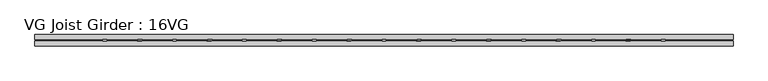
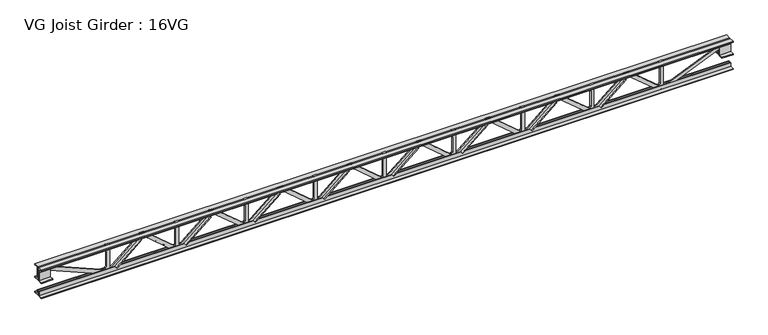
"""IFC4 building model written with IfcOpenShell, lengths in millimetres: beam geometry, VG Joist Girder : 16VG."""

from ifc_helpers import new_model, si_unit, frame, origin, place, context, project, spatial, polyline, outline, extrude, faceted_brep, source, transform, mapped, element, save


def vg_joist_girder_16vg_77c43045(model_context):
    return source(origin(), model_context, "Body", "SolidModel", [
        faceted_brep([(2834.64, -12.7, -152.4), (2834.64, 0.0, -152.4), (2834.64, 0.0, -203.2), (2834.64, -12.7, -203.2), (2850.7591443, -12.7, -152.4), (2850.7591443, 0.0, -152.4), (3272.3991443, 0.0, 203.2), (3332.48, 0.0, 203.2), (3332.48, 0.0, 152.4), (3290.9608557, 0.0, 152.4), (2869.3208557, 0.0, -203.2), (2869.3208557, -12.7, -203.2), (2937.9689257, -12.7, -145.3040374), (2929.7812002, -12.7, -135.5957342), (3269.0435162, -12.7, 150.5291106), (3277.2312418, -12.7, 140.8208075), (3290.9608557, -12.7, 152.4), (3332.48, -12.7, 152.4), (3332.48, -12.7, 203.2), (3272.3991443, -12.7, 203.2), (3277.2312418, -50.8, 140.8208075), (2937.9689257, -50.8, -145.3040374), (2929.7812002, -50.8, -135.5957342), (3269.0435162, -50.8, 150.5291106)], [[[0, 1, 2, 3]], [[1, 0, 4, 5]], [[2, 1, 5, 6, 7, 8, 9, 10]], [[3, 2, 10, 11]], [[0, 3, 11, 12, 13, 14, 15, 16, 17, 18, 19, 4]], [[5, 4, 19, 6]], [[10, 9, 16, 15, 20, 21, 12, 11]], [[8, 7, 18, 17]], [[7, 6, 19, 18]], [[9, 8, 17, 16]], [[21, 22, 13, 12]], [[20, 15, 14, 23]], [[22, 21, 20, 23]], [[13, 22, 23, 14]]]),
        extrude(outline(polyline([(203.2, 3804.92), (203.2, 3754.12), (120.65, 3754.12), (109.5375, 3765.2325), (-109.5375, 3765.2325), (-120.65, 3754.12), (-203.2, 3754.12), (-203.2, 3804.92), (203.2, 3804.92)])), frame((0.0, -12.7, 0.0), z_axis=(0.0, 1.0, 0.0), x_axis=(0.0, 0.0, 1.0)), (0.0, 0.0, 1.0), 25.4),
        extrude(outline(polyline([(203.2, 2860.04), (203.2, 2809.24), (120.65, 2809.24), (109.5375, 2820.3525), (-109.5375, 2820.3525), (-120.65, 2809.24), (-203.2, 2809.24), (-203.2, 2860.04), (203.2, 2860.04)])), frame((0.0, -12.7, 0.0), z_axis=(0.0, 1.0, 0.0), x_axis=(0.0, 0.0, 1.0)), (0.0, 0.0, 1.0), 25.4),
        extrude(outline(polyline([(0.0, -38.1), (0.0, 0.0), (443.8089071, 0.0), (443.8089071, -38.1), (0.0, -38.1)])), frame((3676.1910743, 12.7, -145.3040374), z_axis=(0.6447027996602551, 0.0, 0.7644333195970915), x_axis=(-0.7644333195970915, 0.0, 0.6447027996602551)), (0.0, 0.0, 1.0), 12.7),
        extrude(outline(polyline([(-203.2, 3779.52), (-152.4, 3779.52), (-152.4, 3763.4008557), (203.2, 3341.7608557), (203.2, 3281.68), (152.4, 3281.68), (152.4, 3323.1991443), (-203.2, 3744.8391443), (-203.2, 3779.52)])), frame((0.0, 0.0, 0.0), z_axis=(0.0, 1.0, 0.0), x_axis=(0.0, 0.0, 1.0)), (0.0, 0.0, 1.0), 12.7),
        extrude(outline(polyline([(203.2, 1915.16), (203.2, 1864.36), (120.65, 1864.36), (109.5375, 1875.4725), (-109.5375, 1875.4725), (-120.65, 1864.36), (-203.2, 1864.36), (-203.2, 1915.16), (203.2, 1915.16)])), frame((0.0, -12.7, 0.0), z_axis=(0.0, 1.0, 0.0), x_axis=(0.0, 0.0, 1.0)), (0.0, 0.0, 1.0), 25.4),
        faceted_brep([(2834.64, 0.0, -152.4), (2834.64, 0.0, -203.2), (2834.64, 12.7, -203.2), (2834.64, 12.7, -152.4), (2818.5208557, 0.0, -152.4), (2396.8808557, 0.0, 203.2), (2336.8, 0.0, 203.2), (2336.8, 0.0, 152.4), (2378.3191443, 0.0, 152.4), (2799.9591443, 0.0, -203.2), (2799.9591443, 12.7, -203.2), (2731.3110743, 12.7, -145.3040374), (2739.4987998, 12.7, -135.5957342), (2400.2364838, 12.7, 150.5291106), (2392.0487582, 12.7, 140.8208075), (2378.3191443, 12.7, 152.4), (2336.8, 12.7, 152.4), (2336.8, 12.7, 203.2), (2396.8808557, 12.7, 203.2), (2818.5208557, 12.7, -152.4), (2392.0487582, 50.8, 140.8208075), (2731.3110743, 50.8, -145.3040374), (2739.4987998, 50.8, -135.5957342), (2400.2364838, 50.8, 150.5291106)], [[[0, 1, 2, 3]], [[1, 0, 4, 5, 6, 7, 8, 9]], [[2, 1, 9, 10]], [[3, 2, 10, 11, 12, 13, 14, 15, 16, 17, 18, 19]], [[0, 3, 19, 4]], [[9, 8, 15, 14, 20, 21, 11, 10]], [[5, 4, 19, 18]], [[7, 6, 17, 16]], [[8, 7, 16, 15]], [[6, 5, 18, 17]], [[11, 21, 22, 12]], [[13, 23, 20, 14]], [[22, 21, 20, 23]], [[12, 22, 23, 13]]]),
        extrude(outline(polyline([(0.0, -38.1), (0.0, 0.0), (443.8089071, 0.0), (443.8089071, -38.1), (0.0, -38.1)])), frame((1993.0889257, -12.7, -145.3040374), z_axis=(-0.6447027996602547, 0.0, 0.7644333195970918), x_axis=(0.7644333195970918, 0.0, 0.6447027996602547)), (0.0, 0.0, 1.0), 12.7),
        extrude(outline(polyline([(-152.4, 1889.76), (-203.2, 1889.76), (-203.2, 1924.4408557), (152.4, 2346.0808557), (152.4, 2387.6), (203.2, 2387.6), (203.2, 2327.5191443), (-152.4, 1905.8791443), (-152.4, 1889.76)])), frame((0.0, -12.7, 0.0), z_axis=(0.0, 1.0, 0.0), x_axis=(0.0, 0.0, 1.0)), (0.0, 0.0, 1.0), 12.7),
        extrude(outline(polyline([(203.2, 970.28), (203.2, 919.48), (120.65, 919.48), (109.5375, 930.5925), (-109.5375, 930.5925), (-120.65, 919.48), (-203.2, 919.48), (-203.2, 970.28), (203.2, 970.28)])), frame((0.0, -12.7, 0.0), z_axis=(0.0, 1.0, 0.0), x_axis=(0.0, 0.0, 1.0)), (0.0, 0.0, 1.0), 25.4),
        faceted_brep([(1889.76, 0.0, -152.4), (1889.76, 0.0, -203.2), (1889.76, 12.7, -203.2), (1889.76, 12.7, -152.4), (1873.6408557, 0.0, -152.4), (1452.0008557, 0.0, 203.2), (1391.92, 0.0, 203.2), (1391.92, 0.0, 152.4), (1433.4391443, 0.0, 152.4), (1855.0791443, 0.0, -203.2), (1855.0791443, 12.7, -203.2), (1786.4310743, 12.7, -145.3040374), (1794.6187998, 12.7, -135.5957342), (1455.3564838, 12.7, 150.5291106), (1447.1687582, 12.7, 140.8208075), (1433.4391443, 12.7, 152.4), (1391.92, 12.7, 152.4), (1391.92, 12.7, 203.2), (1452.0008557, 12.7, 203.2), (1873.6408557, 12.7, -152.4), (1447.1687582, 50.8, 140.8208075), (1786.4310743, 50.8, -145.3040374), (1794.6187998, 50.8, -135.5957342), (1455.3564838, 50.8, 150.5291106)], [[[0, 1, 2, 3]], [[1, 0, 4, 5, 6, 7, 8, 9]], [[2, 1, 9, 10]], [[3, 2, 10, 11, 12, 13, 14, 15, 16, 17, 18, 19]], [[0, 3, 19, 4]], [[9, 8, 15, 14, 20, 21, 11, 10]], [[5, 4, 19, 18]], [[7, 6, 17, 16]], [[8, 7, 16, 15]], [[6, 5, 18, 17]], [[11, 21, 22, 12]], [[13, 23, 20, 14]], [[22, 21, 20, 23]], [[12, 22, 23, 13]]]),
        extrude(outline(polyline([(0.0, -38.1), (0.0, 0.0), (443.8089071, 0.0), (443.8089071, -38.1), (0.0, -38.1)])), frame((1048.2089257, -12.7, -145.3040374), z_axis=(-0.6447027996602547, 0.0, 0.7644333195970918), x_axis=(0.7644333195970918, 0.0, 0.6447027996602547)), (0.0, 0.0, 1.0), 12.7),
        extrude(outline(polyline([(-152.4, 944.88), (-203.2, 944.88), (-203.2, 979.5608557), (152.4, 1401.2008557), (152.4, 1442.72), (203.2, 1442.72), (203.2, 1382.6391443), (-152.4, 960.9991443), (-152.4, 944.88)])), frame((0.0, -12.7, 0.0), z_axis=(0.0, 1.0, 0.0), x_axis=(0.0, 0.0, 1.0)), (0.0, 0.0, 1.0), 12.7),
        extrude(outline(polyline([(203.2, 25.4), (203.2, -25.4), (120.65, -25.4), (109.5375, -14.2875), (-109.5375, -14.2875), (-120.65, -25.4), (-203.2, -25.4), (-203.2, 25.4), (203.2, 25.4)])), frame((0.0, -12.7, 0.0), z_axis=(0.0, 1.0, 0.0), x_axis=(0.0, 0.0, 1.0)), (0.0, 0.0, 1.0), 25.4),
        faceted_brep([(944.88, 0.0, -152.4), (944.88, 0.0, -203.2), (944.88, 12.7, -203.2), (944.88, 12.7, -152.4), (928.7608557, 0.0, -152.4), (507.1208557, 0.0, 203.2), (447.04, 0.0, 203.2), (447.04, 0.0, 152.4), (488.5591443, 0.0, 152.4), (910.1991443, 0.0, -203.2), (910.1991443, 12.7, -203.2), (841.5510743, 12.7, -145.3040374), (849.7387998, 12.7, -135.5957342), (510.4764838, 12.7, 150.5291106), (502.2887582, 12.7, 140.8208075), (488.5591443, 12.7, 152.4), (447.04, 12.7, 152.4), (447.04, 12.7, 203.2), (507.1208557, 12.7, 203.2), (928.7608557, 12.7, -152.4), (502.2887582, 50.8, 140.8208075), (841.5510743, 50.8, -145.3040374), (849.7387998, 50.8, -135.5957342), (510.4764838, 50.8, 150.5291106)], [[[0, 1, 2, 3]], [[1, 0, 4, 5, 6, 7, 8, 9]], [[2, 1, 9, 10]], [[3, 2, 10, 11, 12, 13, 14, 15, 16, 17, 18, 19]], [[0, 3, 19, 4]], [[9, 8, 15, 14, 20, 21, 11, 10]], [[5, 4, 19, 18]], [[7, 6, 17, 16]], [[8, 7, 16, 15]], [[6, 5, 18, 17]], [[11, 21, 22, 12]], [[13, 23, 20, 14]], [[22, 21, 20, 23]], [[12, 22, 23, 13]]]),
        extrude(outline(polyline([(0.0, -38.1), (0.0, 0.0), (443.8089071, 0.0), (443.8089071, -38.1), (0.0, -38.1)])), frame((103.3289257, -12.7, -145.3040374), z_axis=(-0.6447027996602547, 0.0, 0.7644333195970918), x_axis=(0.7644333195970918, 0.0, 0.6447027996602547)), (0.0, 0.0, 1.0), 12.7),
        extrude(outline(polyline([(-152.4, 0.0), (-203.2, 0.0), (-203.2, 34.6808557), (152.4, 456.3208557), (152.4, 497.84), (203.2, 497.84), (203.2, 437.7591443), (-152.4, 16.1191443), (-152.4, 0.0)])), frame((0.0, -12.7, 0.0), z_axis=(0.0, 1.0, 0.0), x_axis=(0.0, 0.0, 1.0)), (0.0, 0.0, 1.0), 12.7),
        extrude(outline(polyline([(203.2, -919.48), (203.2, -970.28), (120.65, -970.28), (109.5375, -959.1675), (-109.5375, -959.1675), (-120.65, -970.28), (-203.2, -970.28), (-203.2, -919.48), (203.2, -919.48)])), frame((0.0, -12.7, 0.0), z_axis=(0.0, 1.0, 0.0), x_axis=(0.0, 0.0, 1.0)), (0.0, 0.0, 1.0), 25.4),
        faceted_brep([(0.0, 0.0, -152.4), (0.0, 0.0, -203.2), (0.0, 12.7, -203.2), (0.0, 12.7, -152.4), (-16.1191443, 0.0, -152.4), (-437.7591443, 0.0, 203.2), (-497.84, 0.0, 203.2), (-497.84, 0.0, 152.4), (-456.3208557, 0.0, 152.4), (-34.6808557, 0.0, -203.2), (-34.6808557, 12.7, -203.2), (-103.3289257, 12.7, -145.3040374), (-95.1412002, 12.7, -135.5957342), (-434.4035162, 12.7, 150.5291106), (-442.5912418, 12.7, 140.8208075), (-456.3208557, 12.7, 152.4), (-497.84, 12.7, 152.4), (-497.84, 12.7, 203.2), (-437.7591443, 12.7, 203.2), (-16.1191443, 12.7, -152.4), (-442.5912418, 50.8, 140.8208075), (-103.3289257, 50.8, -145.3040374), (-95.1412002, 50.8, -135.5957342), (-434.4035162, 50.8, 150.5291106)], [[[0, 1, 2, 3]], [[1, 0, 4, 5, 6, 7, 8, 9]], [[2, 1, 9, 10]], [[3, 2, 10, 11, 12, 13, 14, 15, 16, 17, 18, 19]], [[0, 3, 19, 4]], [[9, 8, 15, 14, 20, 21, 11, 10]], [[5, 4, 19, 18]], [[7, 6, 17, 16]], [[8, 7, 16, 15]], [[6, 5, 18, 17]], [[11, 21, 22, 12]], [[13, 23, 20, 14]], [[22, 21, 20, 23]], [[12, 22, 23, 13]]]),
        extrude(outline(polyline([(0.0, -38.1), (0.0, 0.0), (443.8089071, 0.0), (443.8089071, -38.1), (0.0, -38.1)])), frame((-841.5510743, -12.7, -145.3040374), z_axis=(-0.6447027996602547, 0.0, 0.7644333195970918), x_axis=(0.7644333195970918, 0.0, 0.6447027996602547)), (0.0, 0.0, 1.0), 12.7),
        extrude(outline(polyline([(-152.4, -944.88), (-203.2, -944.88), (-203.2, -910.1991443), (152.4, -488.5591443), (152.4, -447.04), (203.2, -447.04), (203.2, -507.1208557), (-152.4, -928.7608557), (-152.4, -944.88)])), frame((0.0, -12.7, 0.0), z_axis=(0.0, 1.0, 0.0), x_axis=(0.0, 0.0, 1.0)), (0.0, 0.0, 1.0), 12.7),
        extrude(outline(polyline([(203.2, -1864.36), (203.2, -1915.16), (120.65, -1915.16), (109.5375, -1904.0475), (-109.5375, -1904.0475), (-120.65, -1915.16), (-203.2, -1915.16), (-203.2, -1864.36), (203.2, -1864.36)])), frame((0.0, -12.7, 0.0), z_axis=(0.0, 1.0, 0.0), x_axis=(0.0, 0.0, 1.0)), (0.0, 0.0, 1.0), 25.4),
        faceted_brep([(-944.88, 0.0, -152.4), (-944.88, 0.0, -203.2), (-944.88, 12.7, -203.2), (-944.88, 12.7, -152.4), (-960.9991443, 0.0, -152.4), (-1382.6391443, 0.0, 203.2), (-1442.72, 0.0, 203.2), (-1442.72, 0.0, 152.4), (-1401.2008557, 0.0, 152.4), (-979.5608557, 0.0, -203.2), (-979.5608557, 12.7, -203.2), (-1048.2089257, 12.7, -145.3040374), (-1040.0212002, 12.7, -135.5957342), (-1379.2835162, 12.7, 150.5291106), (-1387.4712418, 12.7, 140.8208075), (-1401.2008557, 12.7, 152.4), (-1442.72, 12.7, 152.4), (-1442.72, 12.7, 203.2), (-1382.6391443, 12.7, 203.2), (-960.9991443, 12.7, -152.4), (-1387.4712418, 50.8, 140.8208075), (-1048.2089257, 50.8, -145.3040374), (-1040.0212002, 50.8, -135.5957342), (-1379.2835162, 50.8, 150.5291106)], [[[0, 1, 2, 3]], [[1, 0, 4, 5, 6, 7, 8, 9]], [[2, 1, 9, 10]], [[3, 2, 10, 11, 12, 13, 14, 15, 16, 17, 18, 19]], [[0, 3, 19, 4]], [[9, 8, 15, 14, 20, 21, 11, 10]], [[5, 4, 19, 18]], [[7, 6, 17, 16]], [[8, 7, 16, 15]], [[6, 5, 18, 17]], [[11, 21, 22, 12]], [[13, 23, 20, 14]], [[22, 21, 20, 23]], [[12, 22, 23, 13]]]),
        extrude(outline(polyline([(0.0, -38.1), (0.0, 0.0), (443.8089071, 0.0), (443.8089071, -38.1), (0.0, -38.1)])), frame((-1786.4310743, -12.7, -145.3040374), z_axis=(-0.6447027996602547, 0.0, 0.7644333195970918), x_axis=(0.7644333195970918, 0.0, 0.6447027996602547)), (0.0, 0.0, 1.0), 12.7),
        extrude(outline(polyline([(-152.4, -1889.76), (-203.2, -1889.76), (-203.2, -1855.0791443), (152.4, -1433.4391443), (152.4, -1391.92), (203.2, -1391.92), (203.2, -1452.0008557), (-152.4, -1873.6408557), (-152.4, -1889.76)])), frame((0.0, -12.7, 0.0), z_axis=(0.0, 1.0, 0.0), x_axis=(0.0, 0.0, 1.0)), (0.0, 0.0, 1.0), 12.7),
        extrude(outline(polyline([(203.2, -2809.24), (203.2, -2860.04), (120.65, -2860.04), (109.5375, -2848.9275), (-109.5375, -2848.9275), (-120.65, -2860.04), (-203.2, -2860.04), (-203.2, -2809.24), (203.2, -2809.24)])), frame((0.0, -12.7, 0.0), z_axis=(0.0, 1.0, 0.0), x_axis=(0.0, 0.0, 1.0)), (0.0, 0.0, 1.0), 25.4),
        faceted_brep([(-1889.76, 0.0, -152.4), (-1889.76, 0.0, -203.2), (-1889.76, 12.7, -203.2), (-1889.76, 12.7, -152.4), (-1905.8791443, 0.0, -152.4), (-2327.5191443, 0.0, 203.2), (-2387.6, 0.0, 203.2), (-2387.6, 0.0, 152.4), (-2346.0808557, 0.0, 152.4), (-1924.4408557, 0.0, -203.2), (-1924.4408557, 12.7, -203.2), (-1993.0889257, 12.7, -145.3040374), (-1984.9012002, 12.7, -135.5957342), (-2324.1635162, 12.7, 150.5291106), (-2332.3512418, 12.7, 140.8208075), (-2346.0808557, 12.7, 152.4), (-2387.6, 12.7, 152.4), (-2387.6, 12.7, 203.2), (-2327.5191443, 12.7, 203.2), (-1905.8791443, 12.7, -152.4), (-2332.3512418, 50.8, 140.8208075), (-1993.0889257, 50.8, -145.3040374), (-1984.9012002, 50.8, -135.5957342), (-2324.1635162, 50.8, 150.5291106)], [[[0, 1, 2, 3]], [[1, 0, 4, 5, 6, 7, 8, 9]], [[2, 1, 9, 10]], [[3, 2, 10, 11, 12, 13, 14, 15, 16, 17, 18, 19]], [[0, 3, 19, 4]], [[9, 8, 15, 14, 20, 21, 11, 10]], [[5, 4, 19, 18]], [[7, 6, 17, 16]], [[8, 7, 16, 15]], [[6, 5, 18, 17]], [[11, 21, 22, 12]], [[13, 23, 20, 14]], [[22, 21, 20, 23]], [[12, 22, 23, 13]]]),
        extrude(outline(polyline([(0.0, -38.1), (0.0, 0.0), (443.8089071, 0.0), (443.8089071, -38.1), (0.0, -38.1)])), frame((-2731.3110743, -12.7, -145.3040374), z_axis=(-0.6447027996602547, 0.0, 0.7644333195970918), x_axis=(0.7644333195970918, 0.0, 0.6447027996602547)), (0.0, 0.0, 1.0), 12.7),
        extrude(outline(polyline([(-152.4, -2834.64), (-203.2, -2834.64), (-203.2, -2799.9591443), (152.4, -2378.3191443), (152.4, -2336.8), (203.2, -2336.8), (203.2, -2396.8808557), (-152.4, -2818.5208557), (-152.4, -2834.64)])), frame((0.0, -12.7, 0.0), z_axis=(0.0, 1.0, 0.0), x_axis=(0.0, 0.0, 1.0)), (0.0, 0.0, 1.0), 12.7),
        extrude(outline(polyline([(203.2, -3754.12), (203.2, -3804.92), (120.65, -3804.92), (109.5375, -3793.8075), (-109.5375, -3793.8075), (-120.65, -3804.92), (-203.2, -3804.92), (-203.2, -3754.12), (203.2, -3754.12)])), frame((0.0, -12.7, 0.0), z_axis=(0.0, 1.0, 0.0), x_axis=(0.0, 0.0, 1.0)), (0.0, 0.0, 1.0), 25.4),
        faceted_brep([(-2834.64, 0.0, -152.4), (-2834.64, 0.0, -203.2), (-2834.64, 12.7, -203.2), (-2834.64, 12.7, -152.4), (-2850.7591443, 0.0, -152.4), (-3272.3991443, 0.0, 203.2), (-3332.48, 0.0, 203.2), (-3332.48, 0.0, 152.4), (-3290.9608557, 0.0, 152.4), (-2869.3208557, 0.0, -203.2), (-2869.3208557, 12.7, -203.2), (-2937.9689257, 12.7, -145.3040374), (-2929.7812002, 12.7, -135.5957342), (-3269.0435162, 12.7, 150.5291106), (-3277.2312418, 12.7, 140.8208075), (-3290.9608557, 12.7, 152.4), (-3332.48, 12.7, 152.4), (-3332.48, 12.7, 203.2), (-3272.3991443, 12.7, 203.2), (-2850.7591443, 12.7, -152.4), (-3277.2312418, 50.8, 140.8208075), (-2937.9689257, 50.8, -145.3040374), (-2929.7812002, 50.8, -135.5957342), (-3269.0435162, 50.8, 150.5291106)], [[[0, 1, 2, 3]], [[1, 0, 4, 5, 6, 7, 8, 9]], [[2, 1, 9, 10]], [[3, 2, 10, 11, 12, 13, 14, 15, 16, 17, 18, 19]], [[0, 3, 19, 4]], [[9, 8, 15, 14, 20, 21, 11, 10]], [[5, 4, 19, 18]], [[7, 6, 17, 16]], [[8, 7, 16, 15]], [[6, 5, 18, 17]], [[11, 21, 22, 12]], [[13, 23, 20, 14]], [[22, 21, 20, 23]], [[12, 22, 23, 13]]]),
        extrude(outline(polyline([(0.0, -38.1), (0.0, 0.0), (443.8089071, 0.0), (443.8089071, -38.1), (0.0, -38.1)])), frame((-3676.1910743, -12.7, -145.3040374), z_axis=(-0.6447027996602547, 0.0, 0.7644333195970918), x_axis=(0.7644333195970918, 0.0, 0.6447027996602547)), (0.0, 0.0, 1.0), 12.7),
        extrude(outline(polyline([(-152.4, -3779.52), (-203.2, -3779.52), (-203.2, -3744.8391443), (152.4, -3323.1991443), (152.4, -3281.68), (203.2, -3281.68), (203.2, -3341.7608557), (-152.4, -3763.4008557), (-152.4, -3779.52)])), frame((0.0, -12.7, 0.0), z_axis=(0.0, 1.0, 0.0), x_axis=(0.0, 0.0, 1.0)), (0.0, 0.0, 1.0), 12.7),
        extrude(outline(polyline([(12.7, 203.2), (76.2, 203.2), (76.2, 190.5), (25.4, 190.5), (25.4, 139.7), (12.7, 139.7), (12.7, 203.2)])), frame((-4724.4, 0.0, 0.0), z_axis=(1.0, 0.0, 0.0), x_axis=(0.0, 1.0, 0.0)), (0.0, 0.0, 1.0), 9448.8),
        extrude(outline(polyline([(-12.7, 203.2), (-12.7, 139.7), (-25.4, 139.7), (-25.4, 190.5), (-76.2, 190.5), (-76.2, 203.2), (-12.7, 203.2)])), frame((-4724.4, 0.0, 0.0), z_axis=(1.0, 0.0, 0.0), x_axis=(0.0, 1.0, 0.0)), (0.0, 0.0, 1.0), 9448.8),
        extrude(outline(polyline([(-12.7, 12.7), (-76.2, 12.7), (-76.2, 25.4), (-25.4, 25.4), (-25.4, 139.7), (-12.7, 139.7), (-12.7, 12.7)])), frame((-4724.4, 0.0, 0.0), z_axis=(1.0, 0.0, 0.0), x_axis=(0.0, 1.0, 0.0)), (0.0, 0.0, 1.0), 152.4),
        extrude(outline(polyline([(76.2, 12.7), (12.7, 12.7), (12.7, 139.7), (25.4, 139.7), (25.4, 25.4), (76.2, 25.4), (76.2, 12.7)])), frame((-4724.4, 0.0, 0.0), z_axis=(1.0, 0.0, 0.0), x_axis=(0.0, 1.0, 0.0)), (0.0, 0.0, 1.0), 152.4),
        extrude(outline(polyline([(12.7, 12.7), (12.7, 139.7), (25.4, 139.7), (25.4, 25.4), (76.2, 25.4), (76.2, 12.7), (12.7, 12.7)])), frame((4572.0, 0.0, 0.0), z_axis=(1.0, 0.0, 0.0), x_axis=(0.0, 1.0, 0.0)), (0.0, 0.0, 1.0), 152.4),
        extrude(outline(polyline([(-12.7, 12.7), (-76.2, 12.7), (-76.2, 25.4), (-25.4, 25.4), (-25.4, 139.7), (-12.7, 139.7), (-12.7, 12.7)])), frame((4572.0, 0.0, 0.0), z_axis=(1.0, 0.0, 0.0), x_axis=(0.0, 1.0, 0.0)), (0.0, 0.0, 1.0), 152.4),
        extrude(outline(polyline([(12.7, -203.2), (12.7, -139.7), (25.4, -139.7), (25.4, -190.5), (76.2, -190.5), (76.2, -203.2), (12.7, -203.2)])), frame((-4724.4, 0.0, 0.0), z_axis=(1.0, 0.0, 0.0), x_axis=(0.0, 1.0, 0.0)), (0.0, 0.0, 1.0), 9448.8),
        extrude(outline(polyline([(-12.7, -203.2), (-76.2, -203.2), (-76.2, -190.5), (-25.4, -190.5), (-25.4, -139.7), (-12.7, -139.7), (-12.7, -203.2)])), frame((-4724.4, 0.0, 0.0), z_axis=(1.0, 0.0, 0.0), x_axis=(0.0, 1.0, 0.0)), (0.0, 0.0, 1.0), 9448.8),
        extrude(outline(polyline([(0.0, -12.7), (0.0, 0.0), (860.9822605, 0.0), (860.9822605, -12.7), (0.0, -12.7)])), frame((-4581.928625, 6.35, 116.3208981), z_axis=(0.39089074820558, 0.0, 0.9204370825685382), x_axis=(0.9204370825685382, 0.0, -0.39089074820558)), (0.0, 0.0, 1.0), 50.8),
        extrude(outline(polyline([(0.0, -12.7), (0.0, 0.0), (860.9822605, 0.0), (860.9822605, -12.7), (0.0, -12.7)])), frame((3789.448625, -6.35, -220.2291019), z_axis=(-0.3908907482055651, 0.0, 0.9204370825685445), x_axis=(0.9204370825685445, 0.0, 0.3908907482055651)), (0.0, 0.0, 1.0), 50.8),
    ])


if __name__ == "__main__":
    model = new_model("IFC4")
    model_context = context("Model", 3, world=origin())
    ifc_project = project(units=[si_unit("LENGTHUNIT", "METRE", prefix="MILLI")], contexts=[model_context])
    site = spatial("IfcSite", under=ifc_project)
    building = spatial("IfcBuilding", under=site)
    placement = place(None, origin())
    vg_joist_girder_16vg_shape = vg_joist_girder_16vg_77c43045(model_context)
    element("IfcBeam", 1, ObjectType="VG Joist Girder : 16VG", at=placement, inside=building, context=model_context, shape_type="MappedRepresentation", body=[
        mapped(vg_joist_girder_16vg_shape, transform((0.0, 0.0, 0.0), x_axis=(1.0, 0.0, 0.0), y_axis=(0.0, 1.0, 0.0), z_axis=(0.0, 0.0, 1.0))),
    ])
    save(model, "model.ifc")
